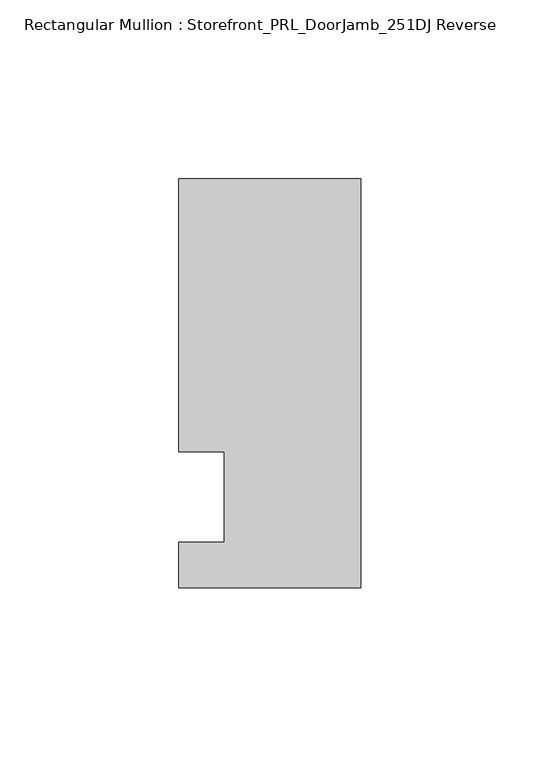
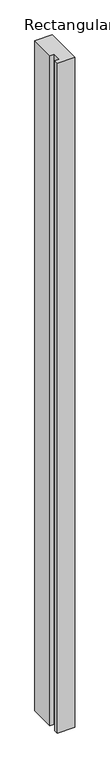
"""IFC4 building model written with IfcOpenShell, lengths in millimetres: member geometry, Rectangular Mullion : Storefront_PRL_DoorJamb_251DJ Reverse."""

from ifc_helpers import new_model, si_unit, frame, origin, place, context, project, spatial, polyline, outline, extrude, source, transform, mapped, element, save


def rectangular_mullion_storefront_prl_doorjamb_251dj_reverse_01e35e0b(model_context):
    return source(origin(), model_context, "Body", "SweptSolid", [
        extrude(outline(polyline([(-12.7, 12.7), (-25.4, 12.7), (-25.4, 88.9), (25.4, 88.9), (25.4, -25.4), (-25.4, -25.4), (-25.4, -12.7), (-12.7, -12.7), (-12.7, 12.7)])), frame((0.0, 0.0, -2076.45), z_axis=(0.0, 0.0, 1.0), x_axis=(1.0, 0.0, 0.0)), (0.0, 0.0, 1.0), 2076.45),
    ])


if __name__ == "__main__":
    model = new_model("IFC4")
    model_context = context("Model", 3, world=origin())
    ifc_project = project(units=[si_unit("LENGTHUNIT", "METRE", prefix="MILLI")], contexts=[model_context])
    site = spatial("IfcSite", under=ifc_project)
    building = spatial("IfcBuilding", under=site)
    placement = place(None, origin())
    rectangular_mullion_storefront_prl_doorjamb_251dj_reverse_shape = rectangular_mullion_storefront_prl_doorjamb_251dj_reverse_01e35e0b(model_context)
    element("IfcMember", 1, ObjectType="Rectangular Mullion : Storefront_PRL_DoorJamb_251DJ Reverse", at=placement, inside=building, context=model_context, shape_type="MappedRepresentation", body=[
        mapped(rectangular_mullion_storefront_prl_doorjamb_251dj_reverse_shape, transform((0.0, 0.0, 0.0), x_axis=(1.0, 0.0, 0.0), y_axis=(0.0, 1.0, 0.0), z_axis=(0.0, 0.0, 1.0))),
    ])
    save(model, "model.ifc")
